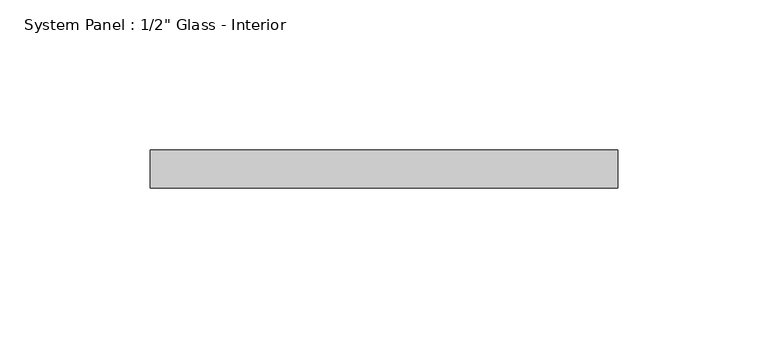
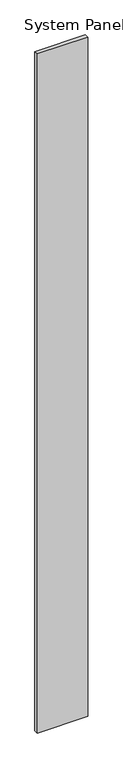
"""IFC4 building model written with IfcOpenShell, lengths in millimetres: plate geometry."""

from ifc_helpers import new_model, si_unit, origin, origin_with_axes, place, context, project, spatial, polyline, outline, extrude, source, transform, mapped, element, save


def plate_6f4833c7(model_context):
    return source(origin(), model_context, "Body", "SweptSolid", [
        extrude(outline(polyline([(77.9168196, -6.35), (-77.9168196, -6.35), (-77.9168196, 6.35), (77.9168196, 6.35), (77.9168196, -6.35)])), origin_with_axes(), (0.0, 0.0, 1.0), 2223.15),
    ])


if __name__ == "__main__":
    model = new_model("IFC4")
    model_context = context("Model", 3, world=origin())
    ifc_project = project(units=[si_unit("LENGTHUNIT", "METRE", prefix="MILLI")], contexts=[model_context])
    site = spatial("IfcSite", under=ifc_project)
    building = spatial("IfcBuilding", under=site)
    placement = place(None, origin())
    plate_shape = plate_6f4833c7(model_context)
    element("IfcPlate", 1, ObjectType="System Panel : 1/2\" Glass - Interior", at=placement, inside=building, context=model_context, shape_type="MappedRepresentation", body=[
        mapped(plate_shape, transform((0.0, 0.0, 0.0), x_axis=(1.0, 0.0, 0.0), y_axis=(0.0, 1.0, 0.0), z_axis=(0.0, 0.0, 1.0))),
    ])
    save(model, "model.ifc")
